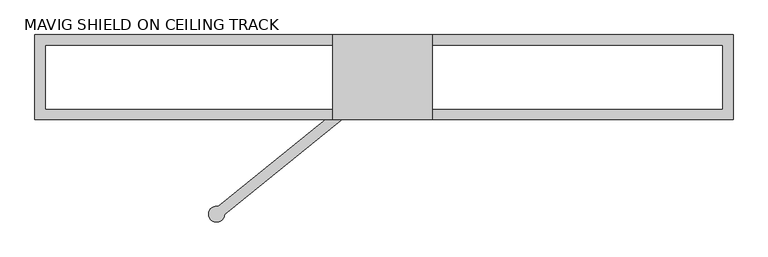
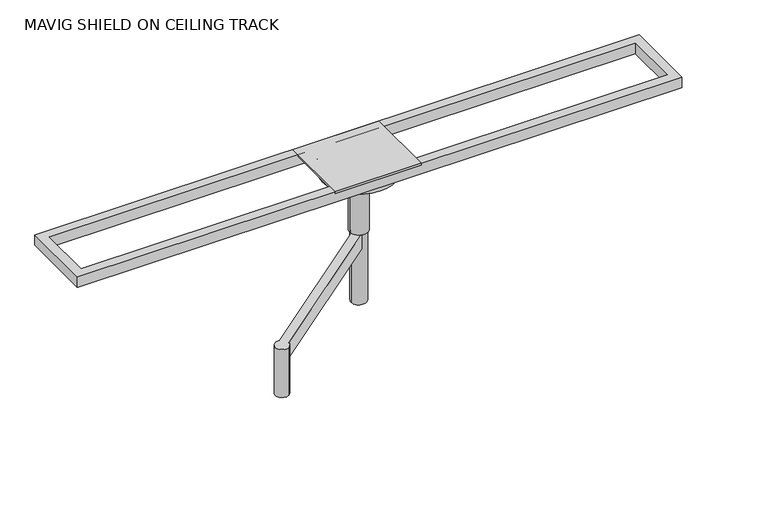
"""IFC4 building model written with IfcOpenShell, lengths in millimetres: proxy geometry, MAVIG SHIELD ON CEILING TRACK."""

import ifcopenshell
import ifcopenshell.guid

model = None  # the IFC model being written
_history = None  # IfcOwnerHistory: only IFC2X3 demands one
_inside = {}  # id of a spatial element -> (the spatial element, [elements in it])
_under = {}  # id of a project, library or spatial element -> (it, [spatial elements below it])
_declared = {}  # id of a project -> (the project, [libraries it declares])
_typed = {}  # id of a type object -> (the type object, [elements of that type])
_made_of = {}  # id of a material, layer set ... -> (it, [elements and type objects made of it])


def new_model(schema):
    """Start an empty IFC model of exactly this schema.

    Asked for "IFC4X3", IfcOpenShell would pick the latest addendum, in which some entities
    have other attributes; the version numbers below select the first issue.
    IFC2X3 requires an IfcOwnerHistory on every rooted entity: one is made here for all.
    """
    global model, _history
    if schema == "IFC4X3":
        model = ifcopenshell.file(schema_version=(4, 3, 0, 0))
    else:
        model = ifcopenshell.file(schema=schema)
    _inside.clear()
    _under.clear()
    _declared.clear()
    _typed.clear()
    _made_of.clear()
    _history = None
    if model.schema == "IFC2X3":
        org = make("IfcOrganization", Name="unknown")
        user = make(
            "IfcPersonAndOrganization",
            ThePerson=make("IfcPerson", FamilyName="unknown"),
            TheOrganization=org,
        )
        app = make(
            "IfcApplication",
            ApplicationDeveloper=org,
            Version="unknown",
            ApplicationFullName="unknown",
            ApplicationIdentifier="unknown",
        )
        _history = make(
            "IfcOwnerHistory",
            OwningUser=user,
            OwningApplication=app,
            ChangeAction="ADDED",
            CreationDate=0,
        )
    return model


def make(cls, **values):
    """One entity of the class cls with the attributes given. An attribute that is None is left unset."""
    return model.create_entity(
        cls, **{name: value for name, value in values.items() if value is not None}
    )


def rooted(cls, **values):
    """An entity with a GlobalId (a new one), such as an element, a storey or a relation."""
    return make(cls, GlobalId=ifcopenshell.guid.new(), OwnerHistory=_history, **values)


def si_unit(unit_type, name, prefix=None):
    """IfcSIUnit, for example si_unit("LENGTHUNIT", "METRE", prefix="MILLI")."""
    return make("IfcSIUnit", UnitType=unit_type, Prefix=prefix, Name=name)


def assignment(units):
    """IfcUnitAssignment: the units of a project."""
    return None if units is None else make("IfcUnitAssignment", Units=units)


def point(xyz):
    """IfcCartesianPoint."""
    return None if xyz is None else make("IfcCartesianPoint", Coordinates=xyz)


def direction(xyz):
    """IfcDirection."""
    return None if xyz is None else make("IfcDirection", DirectionRatios=xyz)


def frame(location, z_axis=None, x_axis=None):
    """IfcAxis2Placement3D, a coordinate frame: its origin and axes. An axis left out is left unset."""
    return make(
        "IfcAxis2Placement3D",
        Location=point(location),
        Axis=direction(z_axis),
        RefDirection=direction(x_axis),
    )


def frame_2d(location, x_axis=None):
    """IfcAxis2Placement2D, a coordinate frame in the plane: its origin and x axis."""
    return make(
        "IfcAxis2Placement2D", Location=point(location), RefDirection=direction(x_axis)
    )


def origin():
    """The frame at (0, 0, 0) with its axes left unset."""
    return frame((0.0, 0.0, 0.0))


def place(relative_to, where):
    """IfcLocalPlacement: puts the frame where relative to a parent placement (None: the world)."""
    return make(
        "IfcLocalPlacement", PlacementRelTo=relative_to, RelativePlacement=where
    )


def context(
    kind, dimensions, precision=None, world=None, true_north=None, identifier=None
):
    """IfcGeometricRepresentationContext, for example the 3D "Model" context."""
    return make(
        "IfcGeometricRepresentationContext",
        ContextIdentifier=identifier,
        ContextType=kind,
        CoordinateSpaceDimension=dimensions,
        Precision=precision,
        WorldCoordinateSystem=world,
        TrueNorth=true_north,
    )


def project(units=None, contexts=None):
    """IfcProject with its units and contexts."""
    return rooted(
        "IfcProject",
        Name="project",
        RepresentationContexts=contexts,
        UnitsInContext=assignment(units),
    )


def spatial(cls, under=None, at=None, **own):
    """A site, building, storey or space (cls), placed at a placement, below another one or the project."""
    s = rooted(cls, ObjectPlacement=at, **own)
    if under is not None:
        _under.setdefault(under.id(), (under, []))[1].append(s)
    return s


def polyline(points):
    """IfcPolyline through the points."""
    return make("IfcPolyline", Points=[point(p) for p in points])


def circle_curve(where, radius):
    """IfcCircle in the frame where."""
    return make("IfcCircle", Position=where, Radius=radius)


def trimmed(basis, trim1, trim2, sense, master):
    """IfcTrimmedCurve: the piece of a basis curve between two trims."""
    return make(
        "IfcTrimmedCurve",
        BasisCurve=basis,
        Trim1=trim1,
        Trim2=trim2,
        SenseAgreement=sense,
        MasterRepresentation=master,
    )


def segment(curve, same_sense, transition):
    """IfcCompositeCurveSegment."""
    return make(
        "IfcCompositeCurveSegment",
        Transition=transition,
        SameSense=same_sense,
        ParentCurve=curve,
    )


def composite_curve(segments, self_intersect=None):
    """IfcCompositeCurve: segments joined end to end."""
    return make("IfcCompositeCurve", Segments=segments, SelfIntersect=self_intersect)


def outline(outer, holes=None, kind="AREA"):
    """IfcArbitraryClosedProfileDef: a profile drawn as a closed curve; with holes, ...WithVoids."""
    if holes is None:
        return make("IfcArbitraryClosedProfileDef", ProfileType=kind, OuterCurve=outer)
    return make(
        "IfcArbitraryProfileDefWithVoids",
        ProfileType=kind,
        OuterCurve=outer,
        InnerCurves=holes,
    )


def extrude(swept, where, along, depth):
    """IfcExtrudedAreaSolid: the profile swept, set in the frame where, extruded along a direction by depth."""
    return make(
        "IfcExtrudedAreaSolid",
        SweptArea=swept,
        Position=where,
        ExtrudedDirection=direction(along),
        Depth=depth,
    )


def shape(context_of_items, identifier, shape_type, items):
    """IfcShapeRepresentation: the items that make up one representation, for example the "Body"."""
    return make(
        "IfcShapeRepresentation",
        ContextOfItems=context_of_items,
        RepresentationIdentifier=identifier,
        RepresentationType=shape_type,
        Items=items,
    )


def source(mapping_origin, context_of_items, identifier, shape_type, items):
    """IfcRepresentationMap: a shape defined once, which mapped items show again and again."""
    return make(
        "IfcRepresentationMap",
        MappingOrigin=mapping_origin,
        MappedRepresentation=shape(context_of_items, identifier, shape_type, items),
    )


def transform(
    local_origin,
    x_axis=None,
    y_axis=None,
    z_axis=None,
    scale=None,
    scale2=None,
    scale3=None,
    uniform=True,
):
    """IfcCartesianTransformationOperator3D, or its non-uniform kind. x_axis, y_axis, z_axis: its Axis1, 2, 3."""
    if uniform:
        return make(
            "IfcCartesianTransformationOperator3D",
            Axis1=direction(x_axis),
            Axis2=direction(y_axis),
            LocalOrigin=point(local_origin),
            Scale=scale,
            Axis3=direction(z_axis),
        )
    return make(
        "IfcCartesianTransformationOperator3DnonUniform",
        Axis1=direction(x_axis),
        Axis2=direction(y_axis),
        LocalOrigin=point(local_origin),
        Scale=scale,
        Axis3=direction(z_axis),
        Scale2=scale2,
        Scale3=scale3,
    )


def mapped(mapping_source, mapping_target):
    """IfcMappedItem: shows the shape of a source again, moved by a transform."""
    return make(
        "IfcMappedItem", MappingSource=mapping_source, MappingTarget=mapping_target
    )


def made_of(thing, what):
    """Note that an element or type object is made of a material, layer set ...; save() writes the relation."""
    if what is not None:
        _made_of.setdefault(what.id(), (what, []))[1].append(thing)
    return thing


def element(
    cls,
    number,
    at=None,
    inside=None,
    cuts=None,
    type_object=None,
    material=None,
    context=None,
    identifier="Body",
    shape_type=None,
    held_by="IfcProductDefinitionShape",
    body=None,
    shapes=None,
    **own,
):
    """One element of the class cls, such as IfcWall. Its Tag is "e" and its number.

    at: its placement. inside: the storey or other place that contains it. cuts: it is an
    opening in that element (IfcRelVoidsElement). A single representation is given by context,
    identifier, shape_type and body (its items); several are given by shapes. held_by: the class
    of the entity that holds the representations. save() writes the other relations.
    """
    e = rooted(cls, Tag="e%d" % number, ObjectPlacement=at, **own)
    if body is not None:
        shapes = [shape(context, identifier, shape_type, body)]
    if shapes is not None:
        e.Representation = make(held_by, Representations=shapes)
    if inside is not None:
        _inside.setdefault(inside.id(), (inside, []))[1].append(e)
    if cuts is not None:
        rooted(
            "IfcRelVoidsElement", RelatingBuildingElement=cuts, RelatedOpeningElement=e
        )
    if type_object is not None:
        _typed.setdefault(type_object.id(), (type_object, []))[1].append(e)
    return made_of(e, material)


def aggregate(whole, parts):
    """IfcRelAggregates: a whole, such as a stair, and the parts it consists of."""
    return rooted("IfcRelAggregates", RelatingObject=whole, RelatedObjects=parts)


def save(model, path):
    """Write the relations noted so far, then the file.

    IfcRelAggregates (storeys below a building ...), IfcRelContainedInSpatialStructure (elements
    in a storey), IfcRelDefinesByType, IfcRelAssociatesMaterial and IfcRelDeclares: one each for
    every whole, place, type object, material and project.
    """
    for whole, parts in _under.values():
        aggregate(whole, parts)
    for where, things in _inside.values():
        rooted(
            "IfcRelContainedInSpatialStructure",
            RelatedElements=things,
            RelatingStructure=where,
        )
    for kind, things in _typed.values():
        rooted("IfcRelDefinesByType", RelatedObjects=things, RelatingType=kind)
    for what, things in _made_of.values():
        rooted("IfcRelAssociatesMaterial", RelatedObjects=things, RelatingMaterial=what)
    for by, libraries in _declared.values():
        rooted("IfcRelDeclares", RelatingContext=by, RelatedDefinitions=libraries)
    model.write(path)


def plane_surface(at):
    """IfcPlane: the flat surface through the origin of the frame at, square to its z axis."""
    return make("IfcPlane", Position=at)


def cylinder_surface(at, radius):
    """IfcCylindricalSurface: all points at the distance radius from the z axis of the frame at."""
    return make("IfcCylindricalSurface", Position=at, Radius=radius)


def revolved_surface(curve, axis_point, axis_direction):
    """IfcSurfaceOfRevolution: the curve turned about the line through axis_point along axis_direction."""
    return make(
        "IfcSurfaceOfRevolution",
        SweptCurve=make("IfcArbitraryOpenProfileDef", ProfileType="CURVE", Curve=curve),
        AxisPosition=make("IfcAxis1Placement", Location=point(axis_point), Axis=direction(axis_direction)),
    )


def advanced_brep(points, edges, surfaces, faces):
    """IfcAdvancedBrep: a solid bounded by faces that lie on surfaces and meet in shared edges.

    An edge is (start, end): straight between two places in points (the first is 0);
    or (start, end, curve); or (start, end, curve, False) where it runs against its curve.
    A face is (place in surfaces, loops), or (place, loops, False) where it looks against
    its surface's normal. A loop lists edges by number (the first is 1), with a minus sign
    where the edge is run from its end to its start. The first loop is the outer one.
    """
    corners = [point(p) for p in points]
    vertices = [make("IfcVertexPoint", VertexGeometry=c) for c in corners]
    made = []
    for start, end, *more in edges:
        made.append(
            make(
                "IfcEdgeCurve",
                EdgeStart=vertices[start],
                EdgeEnd=vertices[end],
                EdgeGeometry=more[0] if more else make("IfcPolyline", Points=[corners[start], corners[end]]),
                SameSense=more[1] if len(more) > 1 else True,
            )
        )
    hull = []
    for where, loops, *sense in faces:
        bounds = []
        for j, loop in enumerate(loops):
            ring = [make("IfcOrientedEdge", EdgeElement=made[abs(k) - 1], Orientation=k > 0) for k in loop]
            bounds.append(
                make(
                    "IfcFaceOuterBound" if j == 0 else "IfcFaceBound",
                    Bound=make("IfcEdgeLoop", EdgeList=ring),
                    Orientation=True,
                )
            )
        hull.append(make("IfcAdvancedFace", Bounds=bounds, FaceSurface=surfaces[where], SameSense=sense[0] if sense else True))
    return make("IfcAdvancedBrep", Outer=make("IfcClosedShell", CfsFaces=hull))


def mavig_shield_on_ceiling_track_f96867ae(model_context):
    return source(origin(), model_context, "Body", "SolidModel", [
        advanced_brep(
        [(78.3495996, -422.624242, 2729.6374648), (55.2213554, -394.0632389, 2729.6374648), (-531.1741252, -868.9169362, 2729.6374648), (-554.5256031, -874.7771815, 2729.6374648), (-518.5562833, -919.1955922, 2729.6374648), (-507.9662266, -897.4134365, 2729.6374648), (55.2213554, -394.0632389, 2663.8736245), (78.3495996, -422.624242, 2663.8736245), (-507.9662266, -897.4134365, 2663.8736245), (-531.1741252, -868.9169362, 2663.8736245), (-518.5562833, -919.1955922, 2520.0874648), (-554.5256031, -874.7771815, 2520.0874648)],
        [
            (0, 1),
            (1, 2),
            (2, 3, circle_curve(frame((-536.5409432, -896.9863869, 2729.6374648), z_axis=(0.0, 0.0, 1.0), x_axis=(-0.6293203910498335, 0.7771459614569741, 0.0)), 28.5779075)),
            (3, 4, circle_curve(frame((-536.5409432, -896.9863869, 2729.6374648), z_axis=(0.0, 0.0, 1.0), x_axis=(-0.6293203910498335, 0.7771459614569741, 0.0)), 28.5779075)),
            (4, 5, circle_curve(frame((-536.5409432, -896.9863869, 2729.6374648), z_axis=(0.0, 0.0, 1.0), x_axis=(-0.6293203910498335, 0.7771459614569741, 0.0)), 28.5779075)),
            (5, 0),
            (6, 7),
            (7, 8),
            (8, 9, circle_curve(frame((-536.5409432, -896.9863869, 2663.8736245), z_axis=(0.0, 0.0, 1.0), x_axis=(-0.6293203910498335, 0.7771459614569741, 0.0)), 28.5779075)),
            (9, 6),
            (7, 0),
            (5, 8),
            (6, 1),
            (9, 2),
            (10, 11, circle_curve(frame((-536.5409432, -896.9863869, 2520.0874648), z_axis=(0.0, 0.0, -1.0), x_axis=(-0.6293203910498335, 0.7771459614569741, 0.0)), 28.5779075)),
            (11, 10, circle_curve(frame((-536.5409432, -896.9863869, 2520.0874648), z_axis=(0.0, 0.0, -1.0), x_axis=(-0.6293203910498335, 0.7771459614569741, 0.0)), 28.5779075)),
            (11, 3),
            (4, 10),
        ],
        [
            plane_surface(frame((78.3495996, -422.624242, 2729.6374648), z_axis=(0.0, 0.0, 1.0), x_axis=(0.7771459614569731, 0.6293203910498347, 0.0))),
            plane_surface(frame((78.3495996, -422.624242, 2663.8736245), z_axis=(0.0, 0.0, -1.0), x_axis=(-0.7771459614569731, -0.6293203910498347, 0.0))),
            plane_surface(frame((-516.698258, -904.4844961, 2729.6374648), z_axis=(0.6293203910498347, -0.7771459614569731, 0.0), x_axis=(0.0, 0.0, -1.0))),
            plane_surface(frame((78.3495996, -422.624242, 2729.6374648), z_axis=(0.7771459614569741, 0.6293203910498334, 0.0), x_axis=(0.0, 0.0, -1.0))),
            plane_surface(frame((55.2213554, -394.0632389, 2729.6374648), z_axis=(-0.6293203910498347, 0.7771459614569732, 0.0), x_axis=(0.0, 0.0, -1.0))),
            plane_surface(frame((-554.5256031, -874.7771815, 2520.0874648), z_axis=(0.0, 0.0, -1.0), x_axis=(0.7771459614569741, 0.6293203910498335, 0.0))),
            cylinder_surface(frame((-536.5409432, -896.9863869, 2520.0874648), z_axis=(0.0, 0.0, 1.0), x_axis=(-0.6293203910498335, 0.7771459614569741, 0.0)), 28.5779075),
        ],
        [
            (0, [[1, 2, 3, 4, 5, 6]]),
            (1, [[7, 8, 9, 10]]),
            (2, [[11, -6, 12, -8]]),
            (3, [[-1, -11, -7, 13]]),
            (4, [[-13, -10, 14, -2]]),
            (5, [[15, 16]]),
            (6, [[-16, 17, -3, -14, -9, -12, -5, 18]]),
            (6, [[-4, -17, -15, -18]]),
        ],
    ),
        extrude(outline(composite_curve([segment(trimmed(circle_curve(frame_2d((64.38677, -407.0120309)), 31.75), [point((96.13677, -407.0120309))], [point((32.63677, -407.0120309))], False, "CARTESIAN"), True, "CONTINUOUS"), segment(trimmed(circle_curve(frame_2d((64.38677, -407.0120309)), 31.75), [point((32.63677, -407.0120309))], [point((96.13677, -407.0120309))], False, "CARTESIAN"), True, "CONTINUOUS")], self_intersect=False)), frame((0.0, 0.0, 2420.3291567), z_axis=(0.0, 0.0, 1.0), x_axis=(1.0, 0.0, 0.0)), (0.0, 0.0, 1.0), 309.3083081),
        extrude(outline(composite_curve([segment(trimmed(circle_curve(frame_2d((64.38677, -407.0120309)), 38.1), [point((102.48677, -407.0120309))], [point((26.28677, -407.0120309))], False, "CARTESIAN"), True, "CONTINUOUS"), segment(trimmed(circle_curve(frame_2d((64.38677, -407.0120309)), 38.1), [point((26.28677, -407.0120309))], [point((102.48677, -407.0120309))], False, "CARTESIAN"), True, "CONTINUOUS")], self_intersect=False)), frame((0.0, 0.0, 2729.6374648), z_axis=(0.0, 0.0, 1.0), x_axis=(1.0, 0.0, 0.0)), (0.0, 0.0, 1.0), 274.9283384),
        extrude(outline(polyline([(-119.5550645, -558.1216486), (-119.5550645, -253.3216486), (235.9984135, -253.3216486), (235.9984135, -558.1216486), (-119.5550645, -558.1216486)])), frame((0.0, 0.0, 3042.3776216), z_axis=(0.0, 0.0, 1.0), x_axis=(1.0, 0.0, 0.0)), (0.0, 0.0, 1.0), 7.6223784),
        advanced_brep(
        [(124.6894938, -406.8374194, 2945.4888457), (4.0394938, -406.8374194, 2945.4888457), (-85.8559963, -406.8374194, 2987.4320065), (214.5849838, -406.8374194, 2987.4320065), (64.3644938, -406.8374194, 2945.4888457), (214.5849838, -406.8374194, 3042.1428225), (-85.8559963, -406.8374194, 3042.1428225), (64.3644938, -406.8374194, 3042.1428225)],
        [
            (0, 1, circle_curve(frame((64.3644938, -406.8374194, 2945.4888457), z_axis=(0.0, 0.0, 1.0), x_axis=(-1.0, 0.0, 0.0)), 60.325)),
            (1, 2),
            (2, 3, circle_curve(frame((64.3644938, -406.8374194, 2987.4320065), z_axis=(0.0, 0.0, -1.0), x_axis=(-1.0, 0.0, 0.0)), 150.22049)),
            (3, 0),
            (1, 0, circle_curve(frame((64.3644938, -406.8374194, 2945.4888457), z_axis=(0.0, 0.0, 1.0), x_axis=(-1.0, 0.0, 0.0)), 60.325)),
            (3, 2, circle_curve(frame((64.3644938, -406.8374194, 2987.4320065), z_axis=(0.0, 0.0, -1.0), x_axis=(-1.0, 0.0, 0.0)), 150.22049)),
            (4, 1),
            (0, 4),
            (5, 6, circle_curve(frame((64.3644938, -406.8374194, 3042.1428225), z_axis=(0.0, 0.0, 1.0), x_axis=(-1.0, 0.0, 0.0)), 150.22049)),
            (6, 7),
            (7, 5),
            (6, 5, circle_curve(frame((64.3644938, -406.8374194, 3042.1428225), z_axis=(0.0, 0.0, 1.0), x_axis=(-1.0, 0.0, 0.0)), 150.22049)),
            (2, 6),
            (5, 3),
        ],
        [
            revolved_surface(polyline([(-85.8559963, -406.8374194, 2987.4320065), (4.0394938, -406.8374194, 2945.4888457)]), (64.3644938, -406.8374194, 3042.6664793), (0.0, 0.0, -1.0)),
            plane_surface(frame((64.3644938, -406.8374194, 2945.4888457), z_axis=(0.0, 0.0, -1.0), x_axis=(-1.0, 0.0, 0.0))),
            plane_surface(frame((64.3644938, -406.8374194, 3042.1428225), z_axis=(0.0, 0.0, 1.0), x_axis=(-1.0, 0.0, 0.0))),
            cylinder_surface(frame((64.3644938, -406.8374194, 3042.6664793), z_axis=(0.0, 0.0, -1.0), x_axis=(-1.0, 0.0, 0.0)), 150.22049),
        ],
        [
            (0, [[1, 2, 3, 4]]),
            (0, [[5, -4, 6, -2]]),
            (1, [[7, -1, 8]]),
            (1, [[-8, -5, -7]]),
            (2, [[9, 10, 11]]),
            (2, [[12, -11, -10]]),
            (3, [[-3, 13, -9, 14]]),
            (3, [[-6, -14, -12, -13]]),
        ],
    ),
        extrude(outline(polyline([(-1187.5673536, -558.1216486), (-1187.5673536, -253.3216486), (1314.3326464, -253.3216486), (1314.3326464, -558.1216486), (-1187.5673536, -558.1216486)]), holes=[polyline([(-1149.470426, -520.0216486), (1276.2295741, -520.0216486), (1276.2295741, -291.4216486), (-1149.470426, -291.4216486), (-1149.470426, -520.0216486)])]), frame((0.0, 0.0, 3004.5658033), z_axis=(0.0, 0.0, 1.0), x_axis=(1.0, 0.0, 0.0)), (0.0, 0.0, 1.0), 45.4341967),
    ])


if __name__ == "__main__":
    model = new_model("IFC4")
    model_context = context("Model", 3, world=origin())
    ifc_project = project(units=[si_unit("LENGTHUNIT", "METRE", prefix="MILLI")], contexts=[model_context])
    site = spatial("IfcSite", under=ifc_project)
    building = spatial("IfcBuilding", under=site)
    placement = place(None, origin())
    mavig_shield_on_ceiling_track_shape = mavig_shield_on_ceiling_track_f96867ae(model_context)
    element("IfcBuildingElementProxy", 1, Name="MAVIG SHIELD ON CEILING TRACK", ObjectType="MAVIG SHIELD ON CEILING TRACK", at=placement, inside=building, context=model_context, shape_type="MappedRepresentation", body=[
        mapped(mavig_shield_on_ceiling_track_shape, transform((0.0, 0.0, 0.0), x_axis=(1.0, 0.0, 0.0), y_axis=(0.0, 1.0, 0.0), z_axis=(0.0, 0.0, 1.0))),
    ])
    save(model, "model.ifc")
